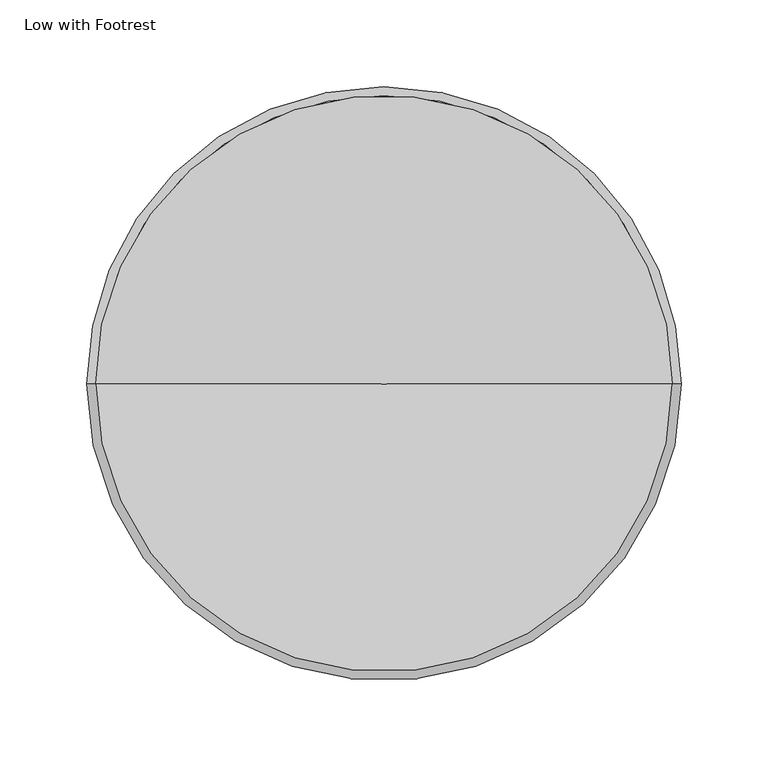
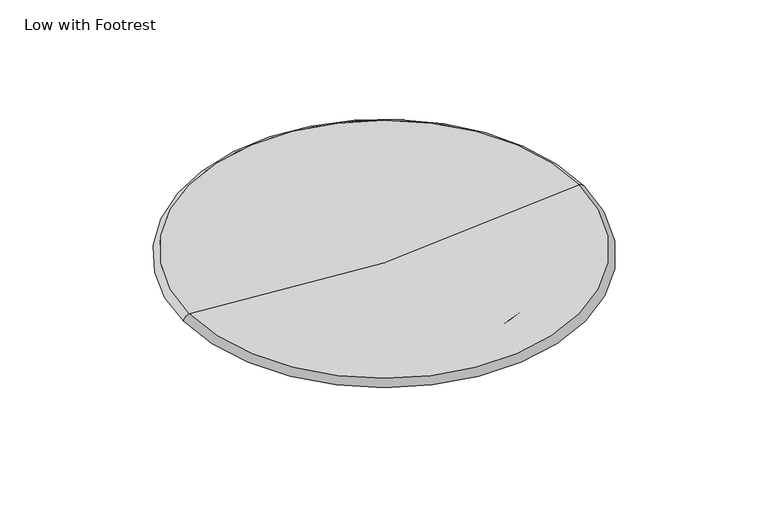
"""IFC4 building model written with IfcOpenShell, lengths in millimetres: furniture geometry, Low with Footrest."""

import ifcopenshell
import ifcopenshell.guid

model = None  # the IFC model being written
_history = None  # IfcOwnerHistory: only IFC2X3 demands one
_inside = {}  # id of a spatial element -> (the spatial element, [elements in it])
_under = {}  # id of a project, library or spatial element -> (it, [spatial elements below it])
_declared = {}  # id of a project -> (the project, [libraries it declares])
_typed = {}  # id of a type object -> (the type object, [elements of that type])
_made_of = {}  # id of a material, layer set ... -> (it, [elements and type objects made of it])


def new_model(schema):
    """Start an empty IFC model of exactly this schema.

    Asked for "IFC4X3", IfcOpenShell would pick the latest addendum, in which some entities
    have other attributes; the version numbers below select the first issue.
    IFC2X3 requires an IfcOwnerHistory on every rooted entity: one is made here for all.
    """
    global model, _history
    if schema == "IFC4X3":
        model = ifcopenshell.file(schema_version=(4, 3, 0, 0))
    else:
        model = ifcopenshell.file(schema=schema)
    _inside.clear()
    _under.clear()
    _declared.clear()
    _typed.clear()
    _made_of.clear()
    _history = None
    if model.schema == "IFC2X3":
        org = make("IfcOrganization", Name="unknown")
        user = make(
            "IfcPersonAndOrganization",
            ThePerson=make("IfcPerson", FamilyName="unknown"),
            TheOrganization=org,
        )
        app = make(
            "IfcApplication",
            ApplicationDeveloper=org,
            Version="unknown",
            ApplicationFullName="unknown",
            ApplicationIdentifier="unknown",
        )
        _history = make(
            "IfcOwnerHistory",
            OwningUser=user,
            OwningApplication=app,
            ChangeAction="ADDED",
            CreationDate=0,
        )
    return model


def make(cls, **values):
    """One entity of the class cls with the attributes given. An attribute that is None is left unset."""
    return model.create_entity(
        cls, **{name: value for name, value in values.items() if value is not None}
    )


def rooted(cls, **values):
    """An entity with a GlobalId (a new one), such as an element, a storey or a relation."""
    return make(cls, GlobalId=ifcopenshell.guid.new(), OwnerHistory=_history, **values)


def si_unit(unit_type, name, prefix=None):
    """IfcSIUnit, for example si_unit("LENGTHUNIT", "METRE", prefix="MILLI")."""
    return make("IfcSIUnit", UnitType=unit_type, Prefix=prefix, Name=name)


def assignment(units):
    """IfcUnitAssignment: the units of a project."""
    return None if units is None else make("IfcUnitAssignment", Units=units)


def point(xyz):
    """IfcCartesianPoint."""
    return None if xyz is None else make("IfcCartesianPoint", Coordinates=xyz)


def direction(xyz):
    """IfcDirection."""
    return None if xyz is None else make("IfcDirection", DirectionRatios=xyz)


def frame(location, z_axis=None, x_axis=None):
    """IfcAxis2Placement3D, a coordinate frame: its origin and axes. An axis left out is left unset."""
    return make(
        "IfcAxis2Placement3D",
        Location=point(location),
        Axis=direction(z_axis),
        RefDirection=direction(x_axis),
    )


def origin():
    """The frame at (0, 0, 0) with its axes left unset."""
    return frame((0.0, 0.0, 0.0))


def place(relative_to, where):
    """IfcLocalPlacement: puts the frame where relative to a parent placement (None: the world)."""
    return make(
        "IfcLocalPlacement", PlacementRelTo=relative_to, RelativePlacement=where
    )


def context(
    kind, dimensions, precision=None, world=None, true_north=None, identifier=None
):
    """IfcGeometricRepresentationContext, for example the 3D "Model" context."""
    return make(
        "IfcGeometricRepresentationContext",
        ContextIdentifier=identifier,
        ContextType=kind,
        CoordinateSpaceDimension=dimensions,
        Precision=precision,
        WorldCoordinateSystem=world,
        TrueNorth=true_north,
    )


def project(units=None, contexts=None):
    """IfcProject with its units and contexts."""
    return rooted(
        "IfcProject",
        Name="project",
        RepresentationContexts=contexts,
        UnitsInContext=assignment(units),
    )


def spatial(cls, under=None, at=None, **own):
    """A site, building, storey or space (cls), placed at a placement, below another one or the project."""
    s = rooted(cls, ObjectPlacement=at, **own)
    if under is not None:
        _under.setdefault(under.id(), (under, []))[1].append(s)
    return s


def polyline(points):
    """IfcPolyline through the points."""
    return make("IfcPolyline", Points=[point(p) for p in points])


def circle_curve(where, radius):
    """IfcCircle in the frame where."""
    return make("IfcCircle", Position=where, Radius=radius)


def ellipse_curve(where, semi_axis1, semi_axis2):
    """IfcEllipse in the frame where."""
    return make(
        "IfcEllipse", Position=where, SemiAxis1=semi_axis1, SemiAxis2=semi_axis2
    )


def trimmed(basis, trim1, trim2, sense, master):
    """IfcTrimmedCurve: the piece of a basis curve between two trims."""
    return make(
        "IfcTrimmedCurve",
        BasisCurve=basis,
        Trim1=trim1,
        Trim2=trim2,
        SenseAgreement=sense,
        MasterRepresentation=master,
    )


def shape(context_of_items, identifier, shape_type, items):
    """IfcShapeRepresentation: the items that make up one representation, for example the "Body"."""
    return make(
        "IfcShapeRepresentation",
        ContextOfItems=context_of_items,
        RepresentationIdentifier=identifier,
        RepresentationType=shape_type,
        Items=items,
    )


def source(mapping_origin, context_of_items, identifier, shape_type, items):
    """IfcRepresentationMap: a shape defined once, which mapped items show again and again."""
    return make(
        "IfcRepresentationMap",
        MappingOrigin=mapping_origin,
        MappedRepresentation=shape(context_of_items, identifier, shape_type, items),
    )


def transform(
    local_origin,
    x_axis=None,
    y_axis=None,
    z_axis=None,
    scale=None,
    scale2=None,
    scale3=None,
    uniform=True,
):
    """IfcCartesianTransformationOperator3D, or its non-uniform kind. x_axis, y_axis, z_axis: its Axis1, 2, 3."""
    if uniform:
        return make(
            "IfcCartesianTransformationOperator3D",
            Axis1=direction(x_axis),
            Axis2=direction(y_axis),
            LocalOrigin=point(local_origin),
            Scale=scale,
            Axis3=direction(z_axis),
        )
    return make(
        "IfcCartesianTransformationOperator3DnonUniform",
        Axis1=direction(x_axis),
        Axis2=direction(y_axis),
        LocalOrigin=point(local_origin),
        Scale=scale,
        Axis3=direction(z_axis),
        Scale2=scale2,
        Scale3=scale3,
    )


def mapped(mapping_source, mapping_target):
    """IfcMappedItem: shows the shape of a source again, moved by a transform."""
    return make(
        "IfcMappedItem", MappingSource=mapping_source, MappingTarget=mapping_target
    )


def made_of(thing, what):
    """Note that an element or type object is made of a material, layer set ...; save() writes the relation."""
    if what is not None:
        _made_of.setdefault(what.id(), (what, []))[1].append(thing)
    return thing


def element(
    cls,
    number,
    at=None,
    inside=None,
    cuts=None,
    type_object=None,
    material=None,
    context=None,
    identifier="Body",
    shape_type=None,
    held_by="IfcProductDefinitionShape",
    body=None,
    shapes=None,
    **own,
):
    """One element of the class cls, such as IfcWall. Its Tag is "e" and its number.

    at: its placement. inside: the storey or other place that contains it. cuts: it is an
    opening in that element (IfcRelVoidsElement). A single representation is given by context,
    identifier, shape_type and body (its items); several are given by shapes. held_by: the class
    of the entity that holds the representations. save() writes the other relations.
    """
    e = rooted(cls, Tag="e%d" % number, ObjectPlacement=at, **own)
    if body is not None:
        shapes = [shape(context, identifier, shape_type, body)]
    if shapes is not None:
        e.Representation = make(held_by, Representations=shapes)
    if inside is not None:
        _inside.setdefault(inside.id(), (inside, []))[1].append(e)
    if cuts is not None:
        rooted(
            "IfcRelVoidsElement", RelatingBuildingElement=cuts, RelatedOpeningElement=e
        )
    if type_object is not None:
        _typed.setdefault(type_object.id(), (type_object, []))[1].append(e)
    return made_of(e, material)


def aggregate(whole, parts):
    """IfcRelAggregates: a whole, such as a stair, and the parts it consists of."""
    return rooted("IfcRelAggregates", RelatingObject=whole, RelatedObjects=parts)


def save(model, path):
    """Write the relations noted so far, then the file.

    IfcRelAggregates (storeys below a building ...), IfcRelContainedInSpatialStructure (elements
    in a storey), IfcRelDefinesByType, IfcRelAssociatesMaterial and IfcRelDeclares: one each for
    every whole, place, type object, material and project.
    """
    for whole, parts in _under.values():
        aggregate(whole, parts)
    for where, things in _inside.values():
        rooted(
            "IfcRelContainedInSpatialStructure",
            RelatedElements=things,
            RelatingStructure=where,
        )
    for kind, things in _typed.values():
        rooted("IfcRelDefinesByType", RelatedObjects=things, RelatingType=kind)
    for what, things in _made_of.values():
        rooted("IfcRelAssociatesMaterial", RelatedObjects=things, RelatingMaterial=what)
    for by, libraries in _declared.values():
        rooted("IfcRelDeclares", RelatingContext=by, RelatedDefinitions=libraries)
    model.write(path)


def revolved_surface(curve, axis_point, axis_direction):
    """IfcSurfaceOfRevolution: the curve turned about the line through axis_point along axis_direction."""
    return make(
        "IfcSurfaceOfRevolution",
        SweptCurve=make("IfcArbitraryOpenProfileDef", ProfileType="CURVE", Curve=curve),
        AxisPosition=make("IfcAxis1Placement", Location=point(axis_point), Axis=direction(axis_direction)),
    )


def advanced_brep(points, edges, surfaces, faces):
    """IfcAdvancedBrep: a solid bounded by faces that lie on surfaces and meet in shared edges.

    An edge is (start, end): straight between two places in points (the first is 0);
    or (start, end, curve); or (start, end, curve, False) where it runs against its curve.
    A face is (place in surfaces, loops), or (place, loops, False) where it looks against
    its surface's normal. A loop lists edges by number (the first is 1), with a minus sign
    where the edge is run from its end to its start. The first loop is the outer one.
    """
    corners = [point(p) for p in points]
    vertices = [make("IfcVertexPoint", VertexGeometry=c) for c in corners]
    made = []
    for start, end, *more in edges:
        made.append(
            make(
                "IfcEdgeCurve",
                EdgeStart=vertices[start],
                EdgeEnd=vertices[end],
                EdgeGeometry=more[0] if more else make("IfcPolyline", Points=[corners[start], corners[end]]),
                SameSense=more[1] if len(more) > 1 else True,
            )
        )
    hull = []
    for where, loops, *sense in faces:
        bounds = []
        for j, loop in enumerate(loops):
            ring = [make("IfcOrientedEdge", EdgeElement=made[abs(k) - 1], Orientation=k > 0) for k in loop]
            bounds.append(
                make(
                    "IfcFaceOuterBound" if j == 0 else "IfcFaceBound",
                    Bound=make("IfcEdgeLoop", EdgeList=ring),
                    Orientation=True,
                )
            )
        hull.append(make("IfcAdvancedFace", Bounds=bounds, FaceSurface=surfaces[where], SameSense=sense[0] if sense else True))
    return make("IfcAdvancedBrep", Outer=make("IfcClosedShell", CfsFaces=hull))


def low_with_footrest_5f80ac40(model_context):
    return source(origin(), model_context, "Body", "AdvancedBrep", [
        advanced_brep(
        [(0.0, 0.0, 647.0), (166.0, 0.0, 659.0524385), (-166.0, 0.0, 659.0524385), (171.0, 0.0, 654.0524385), (-171.0, 0.0, 654.0524385), (149.2717099, 0.0, 654.0352658), (-149.2717099, 0.0, 654.0352658), (149.0857522, 0.0, 643.381756), (-149.0857521, 0.0, 643.381756), (143.3042965, 0.0, 638.469018), (-143.3042965, 0.0, 638.469018), (119.8410574, 0.0, 638.4695427), (-119.8410574, 0.0, 638.4695427), (114.9142478, 0.0, 643.381756), (-114.9142478, 0.0, 643.381756), (114.7854243, 0.0, 650.7620508), (-114.7854243, 0.0, 650.7620508), (0.0, 0.0, 645.0006092)],
        [
            (0, 1, circle_curve(frame((-2.4401982, 0.0, 1829.806577), z_axis=(0.0, -0.9999999999999999, 0.0), x_axis=(0.9999999999999999, 0.0, 0.0)), 1182.8090941)),
            (1, 2, circle_curve(frame((0.0, 0.0, 659.0524385), z_axis=(0.0, 0.0, 1.0), x_axis=(0.9999999999999999, 0.0, 0.0)), 166.0)),
            (2, 0, circle_curve(frame((2.4401982, 0.0, 1829.806577), z_axis=(0.0, -0.9999999999999999, 0.0), x_axis=(-0.9999999999999999, 0.0, 0.0)), 1182.8090941)),
            (3, 1, circle_curve(frame((165.4177567, 0.0, 653.4701952), z_axis=(0.0, -1.0, 0.0), x_axis=(1.0, 0.0, 0.0)), 5.612526)),
            (1, 2, circle_curve(frame((0.0, 0.0, 659.0524385), z_axis=(0.0, 0.0, -1.0), x_axis=(1.0, 0.0, 0.0)), 166.0)),
            (2, 4, circle_curve(frame((-165.4177567, 0.0, 653.4701952), z_axis=(0.0, -1.0, 0.0), x_axis=(-1.0, 0.0, 0.0)), 5.612526)),
            (4, 3, circle_curve(frame((0.0, 0.0, 654.0524385), z_axis=(0.0, 0.0, 1.0), x_axis=(1.0, 0.0, 0.0)), 171.0)),
            (5, 3),
            (4, 6),
            (6, 5, circle_curve(frame((0.0, 0.0, 654.0352658), z_axis=(0.0, 0.0, 1.0), x_axis=(1.0, 0.0, 0.0)), 149.2717099)),
            (7, 5),
            (6, 8),
            (8, 7, circle_curve(frame((0.0, 0.0, 643.381756), z_axis=(0.0, 0.0, 1.0), x_axis=(1.0, 0.0, 0.0)), 149.0857522)),
            (9, 7, circle_curve(frame((143.8473451, 0.0, 643.6882055), z_axis=(0.0, -1.0, 0.0), x_axis=(1.0, 0.0, 0.0)), 5.2473631)),
            (8, 10, circle_curve(frame((-143.8473451, 0.0, 643.6882055), z_axis=(0.0, -1.0, 0.0), x_axis=(-1.0, 0.0, 0.0)), 5.2473631)),
            (10, 9, circle_curve(frame((0.0, 0.0, 638.469018), z_axis=(0.0, 0.0, 1.0), x_axis=(1.0, 0.0, 0.0)), 143.3042965)),
            (9, 11),
            (11, 12, circle_curve(frame((0.0, 0.0, 638.4695427), z_axis=(0.0, 0.0, 1.0), x_axis=(1.0, 0.0, 0.0)), 119.8410574)),
            (12, 10),
            (10, 9, circle_curve(frame((0.0, 0.0, 638.469018), z_axis=(0.0, 0.0, -1.0), x_axis=(1.0, 0.0, 0.0)), 143.3042965)),
            (13, 11, circle_curve(frame((120.1787296, 0.0, 643.7350495), z_axis=(0.0, -1.0, 0.0), x_axis=(1.0, 0.0, 0.0)), 5.276323)),
            (11, 12, circle_curve(frame((0.0, 0.0, 638.4695427), z_axis=(0.0, 0.0, -1.0), x_axis=(1.0, 0.0, 0.0)), 119.8410574)),
            (12, 14, circle_curve(frame((-120.1787296, 0.0, 643.7350495), z_axis=(0.0, -1.0, 0.0), x_axis=(-1.0, 0.0, 0.0)), 5.276323)),
            (14, 13, circle_curve(frame((0.0, 0.0, 643.381756), z_axis=(0.0, 0.0, 1.0), x_axis=(1.0, 0.0, 0.0)), 114.9142478)),
            (13, 15),
            (15, 16, circle_curve(frame((0.0, 0.0, 650.7620508), z_axis=(0.0, 0.0, 1.0), x_axis=(1.0, 0.0, 0.0)), 114.7854243)),
            (16, 14),
            (14, 13, circle_curve(frame((0.0, 0.0, 643.381756), z_axis=(0.0, 0.0, -1.0), x_axis=(1.0, 0.0, 0.0)), 114.9142478)),
            (17, 15, circle_curve(frame((-5.7433616, 0.0, 1905.743777), z_axis=(0.0, -1.0, 0.0), x_axis=(1.0, 0.0, 0.0)), 1260.7562498)),
            (15, 16, circle_curve(frame((0.0, 0.0, 650.7620508), z_axis=(0.0, 0.0, -1.0), x_axis=(1.0, 0.0, 0.0)), 114.7854243)),
            (16, 17, circle_curve(frame((5.7433616, 0.0, 1905.743777), z_axis=(0.0, -1.0, 0.0), x_axis=(-1.0, 0.0, 0.0)), 1260.7562498)),
            (8, 7, circle_curve(frame((0.0, 0.0, 643.381756), z_axis=(0.0, 0.0, -1.0), x_axis=(1.0, 0.0, 0.0)), 149.0857522)),
            (6, 5, circle_curve(frame((0.0, 0.0, 654.0352658), z_axis=(0.0, 0.0, -1.0), x_axis=(1.0, 0.0, 0.0)), 149.2717099)),
            (4, 3, circle_curve(frame((0.0, 0.0, 654.0524385), z_axis=(0.0, 0.0, -1.0), x_axis=(1.0, 0.0, 0.0)), 171.0)),
        ],
        [
            revolved_surface(trimmed(ellipse_curve(frame((-2.4401982, 0.0, 1829.806577), z_axis=(0.0, 0.9999999999999999, 0.0), x_axis=(0.9999999999999999, 0.0, 0.0)), 1182.8090941, 1182.8090941), [point((166.0, 0.0, 659.0524385))], [point((0.0, 0.0, 647.0))], True, "CARTESIAN"), (0.0, 0.0, 1829.806577), (0.0, 0.0, 1.0)),
            revolved_surface(trimmed(ellipse_curve(frame((165.4177567, 0.0, 653.4701952), z_axis=(0.0, -1.0, 0.0), x_axis=(1.0, 0.0, 0.0)), 5.612526, 5.612526), [point((171.0, 0.0, 654.0524385))], [point((166.0, 0.0, 659.0524385))], True, "CARTESIAN"), (0.0, 0.0, 653.4701952), (0.0, 0.0, 1.0)),
            revolved_surface(polyline([(149.27173395098896, 0.0, 654.0352658), (171.0, 0.0, 654.0524385)]), (0.0, 0.0, 653.9172905), (0.0, 0.0, 1.0)),
            revolved_surface(polyline([(149.08575219467912, 0.0, 643.3817559999998), (149.2717099, 0.0, 654.0352658000002)]), (0.0, 0.0, -7897.7352647), (0.0, 0.0, 1.0)),
            revolved_surface(trimmed(ellipse_curve(frame((143.8473451, 0.0, 643.6882055), z_axis=(0.0, -1.0, 0.0), x_axis=(1.0, 0.0, 0.0)), 5.2473631, 5.2473631), [point((143.3042965, 0.0, 638.469018))], [point((149.0857522, 0.0, 643.381756))], True, "CARTESIAN"), (0.0, 0.0, 643.6882055), (0.0, 0.0, 1.0)),
            revolved_surface(polyline([(143.3042965, 0.0, 638.469018), (119.83767007938383, 0.0, 638.4695427)]), (0.0, 0.0, 638.4722222), (0.0, 0.0, -1.0)),
            revolved_surface(trimmed(ellipse_curve(frame((120.1787296, 0.0, 643.7350495), z_axis=(0.0, -1.0, 0.0), x_axis=(1.0, 0.0, 0.0)), 5.276323, 5.276323), [point((114.9142478, 0.0, 643.381756))], [point((119.8410574, 0.0, 638.4695427))], True, "CARTESIAN"), (0.0, 0.0, 643.7350495), (0.0, 0.0, 1.0)),
            revolved_surface(polyline([(114.9142478, 0.0, 643.3817559999998), (114.78542427512573, 0.0, 650.7620508)]), (0.0, 0.0, 7226.8146058), (0.0, 0.0, -1.0)),
            revolved_surface(trimmed(ellipse_curve(frame((-5.7433616, 0.0, 1905.743777), z_axis=(0.0, -1.0, 0.0), x_axis=(1.0, 0.0, 0.0)), 1260.7562498, 1260.7562498), [point((0.0, 0.0, 645.0006092))], [point((114.7854243, 0.0, 650.7620508))], True, "CARTESIAN"), (0.0, 0.0, 1905.743777), (0.0, 0.0, 1.0)),
        ],
        [
            (0, [[1, 2, 3]]),
            (1, [[4, 5, 6, 7]]),
            (2, [[8, -7, 9, 10]]),
            (3, [[11, -10, 12, 13]]),
            (4, [[14, -13, 15, 16]]),
            (5, [[17, 18, 19, 20]]),
            (6, [[21, 22, 23, 24]]),
            (7, [[25, 26, 27, 28]]),
            (8, [[29, 30, 31]]),
            (8, [[-29, -31, -26]]),
            (7, [[-25, -24, -27, -30]]),
            (6, [[-21, -28, -23, -18]]),
            (5, [[-17, -16, -19, -22]]),
            (4, [[-14, -20, -15, 32]]),
            (3, [[-11, -32, -12, 33]]),
            (2, [[-8, -33, -9, 34]]),
            (1, [[-4, -34, -6, -2]]),
            (0, [[-1, -3, -5]]),
        ],
    ),
    ])


if __name__ == "__main__":
    model = new_model("IFC4")
    model_context = context("Model", 3, world=origin())
    ifc_project = project(units=[si_unit("LENGTHUNIT", "METRE", prefix="MILLI")], contexts=[model_context])
    site = spatial("IfcSite", under=ifc_project)
    building = spatial("IfcBuilding", under=site)
    placement = place(None, origin())
    low_with_footrest_shape = low_with_footrest_5f80ac40(model_context)
    element("IfcFurniture", 1, ObjectType="Low with Footrest", at=placement, inside=building, context=model_context, shape_type="MappedRepresentation", body=[
        mapped(low_with_footrest_shape, transform((0.0, 0.0, 0.0), x_axis=(1.0, 0.0, 0.0), y_axis=(0.0, 1.0, 0.0), z_axis=(0.0, 0.0, 1.0))),
    ])
    save(model, "model.ifc")
